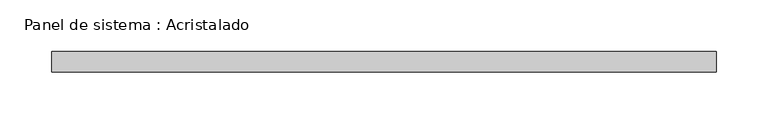
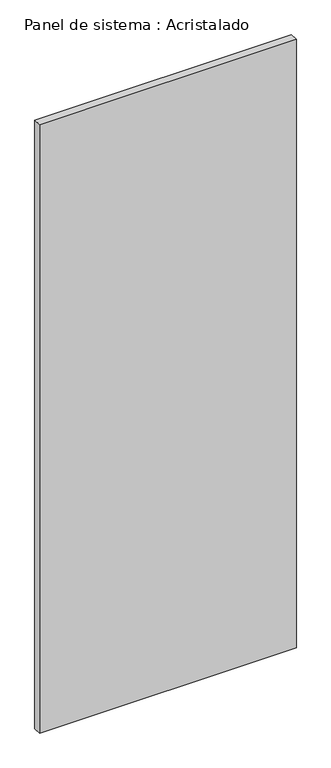
"""IFC4 building model written with IfcOpenShell, lengths in millimetres: plate geometry, Panel de sistema : Acristalado."""

from ifc_helpers import new_model, si_unit, origin, origin_with_axes, place, context, project, spatial, polyline, outline, extrude, source, transform, mapped, element, save


def panel_de_sistema_acristalado_7df5865f(model_context):
    return source(origin(), model_context, "Body", "SweptSolid", [
        extrude(outline(polyline([(321.8543289, -10.0), (-321.8543289, -10.0), (-321.8543289, 10.0), (321.8543289, 10.0), (321.8543289, -10.0)])), origin_with_axes(), (0.0, 0.0, 1.0), 1610.8718726),
    ])


if __name__ == "__main__":
    model = new_model("IFC4")
    model_context = context("Model", 3, world=origin())
    ifc_project = project(units=[si_unit("LENGTHUNIT", "METRE", prefix="MILLI")], contexts=[model_context])
    site = spatial("IfcSite", under=ifc_project)
    building = spatial("IfcBuilding", under=site)
    placement = place(None, origin())
    panel_de_sistema_acristalado_shape = panel_de_sistema_acristalado_7df5865f(model_context)
    element("IfcPlate", 1, ObjectType="Panel de sistema : Acristalado", at=placement, inside=building, context=model_context, shape_type="MappedRepresentation", body=[
        mapped(panel_de_sistema_acristalado_shape, transform((0.0, 0.0, 0.0), x_axis=(1.0, 0.0, 0.0), y_axis=(0.0, 1.0, 0.0), z_axis=(0.0, 0.0, 1.0))),
    ])
    save(model, "model.ifc")
